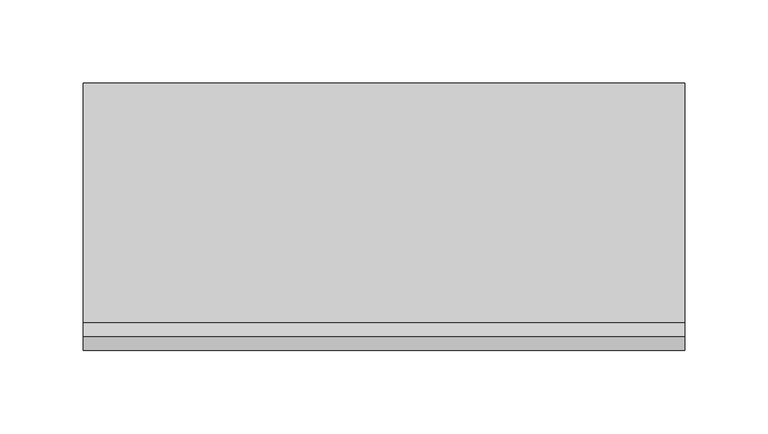
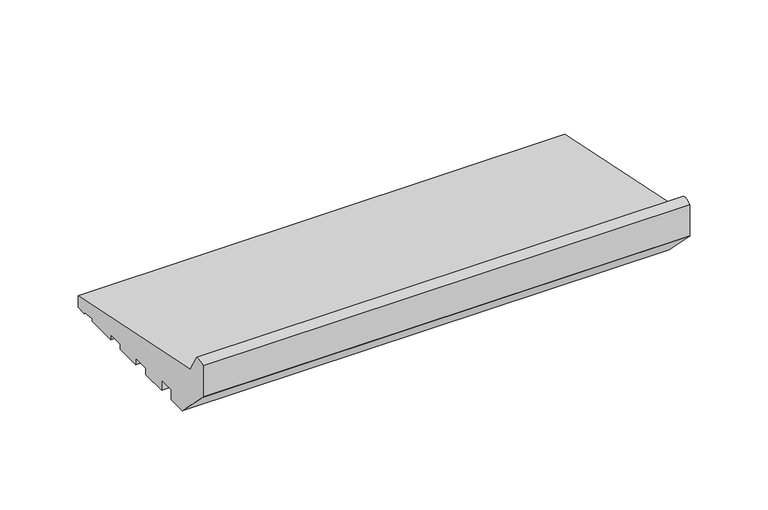
"""IFC4 building model written with IfcOpenShell, lengths in millimetres: proxy geometry."""

from ifc_helpers import new_model, si_unit, point, frame, frame_2d, origin, place, context, project, spatial, polyline, circle_curve, trimmed, segment, composite_curve, outline, extrude, source, transform, mapped, element, save


def generic_models_c88e77d9(model_context):
    return source(origin(), model_context, "Body", "SweptSolid", [
        extrude(outline(composite_curve([segment(polyline([(16.9634146, 2.0714803), (16.9634146, 0.0), (-7.0449052, 0.0), (-7.0449052, 4.0148089), (-18.9957985, 4.0148089), (-18.9957985, 0.0), (-38.9970202, 0.0), (-38.9970202, 5.0), (-51.9659993, 5.0), (-51.9659993, 0.0), (-71.9994005, 0.0), (-71.9994005, 7.9636602), (-84.3282852, 7.9636602), (-84.3282852, 0.0), (-98.3331279, 0.0), (-124.2741015, 25.9409736)]), True, "CONTINUOUS"), segment(trimmed(circle_curve(frame_2d((-121.8315077, 28.3835674)), 3.4543493), [point((-124.2741015, 25.9409736))], [point((-125.0, 27.0076366))], False, "CARTESIAN"), True, "CONTINUOUS"), segment(polyline([(-125.0, 27.0076366), (-125.0, 51.2355304)]), True, "CONTINUOUS"), segment(trimmed(circle_curve(frame_2d((-118.9446027, 42.7168184)), 10.4516166), [point((-125.0, 51.2355304))], [point((-116.6949035, 52.9234409))], False, "CARTESIAN"), True, "CONTINUOUS"), segment(polyline([(-116.6949035, 52.9234409), (-108.4970481, 38.6463845), (35.0, 9.1871592), (35.0, 0.0), (27.0536769, 0.0), (27.0536769, 0.9956448), (16.9634146, 2.0714803)]), True, "CONTINUOUS")], self_intersect=False)), frame((0.0, 0.0, 0.0), z_axis=(1.0, 0.0, 0.0), x_axis=(0.0, 1.0, 0.0)), (0.0, 0.0, 1.0), 360.0),
    ])


if __name__ == "__main__":
    model = new_model("IFC4")
    model_context = context("Model", 3, world=origin())
    ifc_project = project(units=[si_unit("LENGTHUNIT", "METRE", prefix="MILLI")], contexts=[model_context])
    site = spatial("IfcSite", under=ifc_project)
    building = spatial("IfcBuilding", under=site)
    placement = place(None, origin())
    generic_models_shape = generic_models_c88e77d9(model_context)
    element("IfcBuildingElementProxy", 1, Name="Generic Models", at=placement, inside=building, context=model_context, shape_type="MappedRepresentation", body=[
        mapped(generic_models_shape, transform((0.0, 0.0, 0.0), x_axis=(1.0, 0.0, 0.0), y_axis=(0.0, 1.0, 0.0), z_axis=(0.0, 0.0, 1.0))),
    ])
    save(model, "model.ifc")
